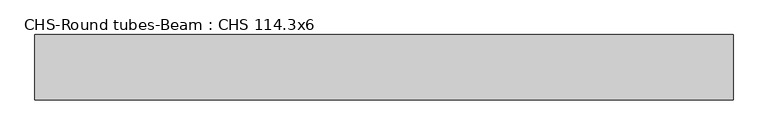
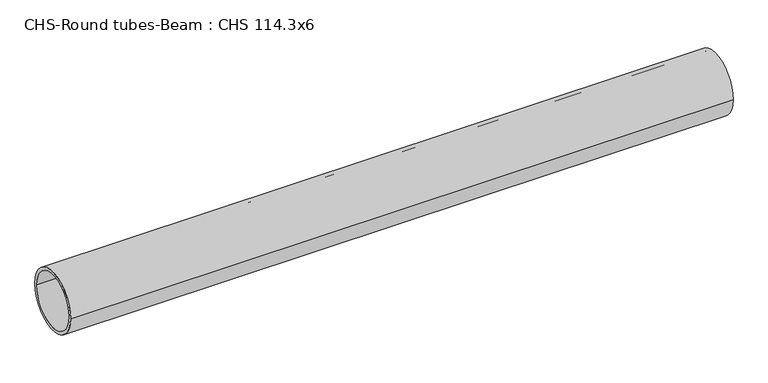
"""IFC4 building model written with IfcOpenShell, lengths in millimetres: beam geometry, CHS-Round tubes-Beam : CHS 114.3x6."""

from ifc_helpers import new_model, si_unit, point, frame, origin, origin_2d, place, context, project, spatial, circle_curve, trimmed, segment, composite_curve, outline, extrude, source, transform, mapped, element, save


def chs_round_tubes_beam_chs_114_3x6_ba80a52e(model_context):
    return source(origin(), model_context, "Body", "SweptSolid", [
        extrude(outline(composite_curve([segment(trimmed(circle_curve(origin_2d(), 57.15), [point((57.15, 0.0))], [point((-57.15, 0.0))], False, "CARTESIAN"), True, "CONTINUOUS"), segment(trimmed(circle_curve(origin_2d(), 57.15), [point((-57.15, 0.0))], [point((57.15, 0.0))], False, "CARTESIAN"), True, "CONTINUOUS")], self_intersect=False), holes=[composite_curve([segment(trimmed(circle_curve(origin_2d(), 51.15), [point((51.15, 0.0))], [point((-51.15, 0.0))], True, "CARTESIAN"), True, "CONTINUOUS"), segment(trimmed(circle_curve(origin_2d(), 51.15), [point((-51.15, 0.0))], [point((51.15, 0.0))], True, "CARTESIAN"), True, "CONTINUOUS")], self_intersect=False)]), frame((-491.2007807, 0.0, 0.0), z_axis=(1.0, 0.0, 0.0), x_axis=(0.0, 1.0, 0.0)), (0.0, 0.0, 1.0), 1223.7237677),
    ])


if __name__ == "__main__":
    model = new_model("IFC4")
    model_context = context("Model", 3, world=origin())
    ifc_project = project(units=[si_unit("LENGTHUNIT", "METRE", prefix="MILLI")], contexts=[model_context])
    site = spatial("IfcSite", under=ifc_project)
    building = spatial("IfcBuilding", under=site)
    placement = place(None, origin())
    chs_round_tubes_beam_chs_114_3x6_shape = chs_round_tubes_beam_chs_114_3x6_ba80a52e(model_context)
    element("IfcBeam", 1, ObjectType="CHS-Round tubes-Beam : CHS 114.3x6", at=placement, inside=building, context=model_context, shape_type="MappedRepresentation", body=[
        mapped(chs_round_tubes_beam_chs_114_3x6_shape, transform((0.0, 0.0, 0.0), x_axis=(1.0, 0.0, 0.0), y_axis=(0.0, 1.0, 0.0), z_axis=(0.0, 0.0, 1.0))),
    ])
    save(model, "model.ifc")
